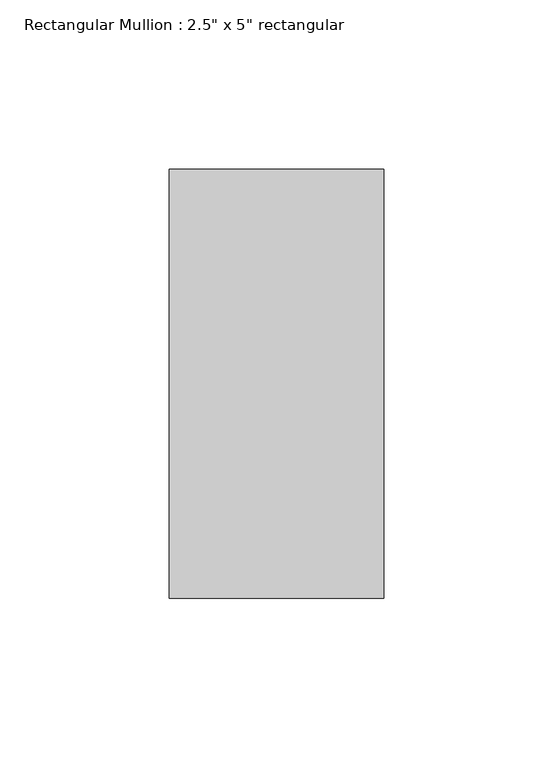
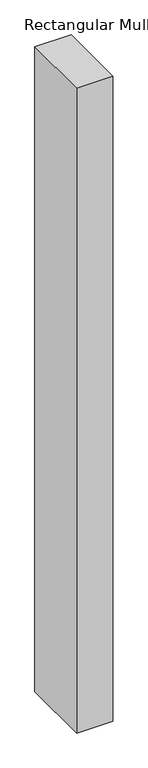
"""IFC4 building model written with IfcOpenShell, lengths in millimetres: member geometry."""

import ifcopenshell
import ifcopenshell.guid

model = None  # the IFC model being written
_history = None  # IfcOwnerHistory: only IFC2X3 demands one
_inside = {}  # id of a spatial element -> (the spatial element, [elements in it])
_under = {}  # id of a project, library or spatial element -> (it, [spatial elements below it])
_declared = {}  # id of a project -> (the project, [libraries it declares])
_typed = {}  # id of a type object -> (the type object, [elements of that type])
_made_of = {}  # id of a material, layer set ... -> (it, [elements and type objects made of it])


def new_model(schema):
    """Start an empty IFC model of exactly this schema.

    Asked for "IFC4X3", IfcOpenShell would pick the latest addendum, in which some entities
    have other attributes; the version numbers below select the first issue.
    IFC2X3 requires an IfcOwnerHistory on every rooted entity: one is made here for all.
    """
    global model, _history
    if schema == "IFC4X3":
        model = ifcopenshell.file(schema_version=(4, 3, 0, 0))
    else:
        model = ifcopenshell.file(schema=schema)
    _inside.clear()
    _under.clear()
    _declared.clear()
    _typed.clear()
    _made_of.clear()
    _history = None
    if model.schema == "IFC2X3":
        org = make("IfcOrganization", Name="unknown")
        user = make(
            "IfcPersonAndOrganization",
            ThePerson=make("IfcPerson", FamilyName="unknown"),
            TheOrganization=org,
        )
        app = make(
            "IfcApplication",
            ApplicationDeveloper=org,
            Version="unknown",
            ApplicationFullName="unknown",
            ApplicationIdentifier="unknown",
        )
        _history = make(
            "IfcOwnerHistory",
            OwningUser=user,
            OwningApplication=app,
            ChangeAction="ADDED",
            CreationDate=0,
        )
    return model


def make(cls, **values):
    """One entity of the class cls with the attributes given. An attribute that is None is left unset."""
    return model.create_entity(
        cls, **{name: value for name, value in values.items() if value is not None}
    )


def rooted(cls, **values):
    """An entity with a GlobalId (a new one), such as an element, a storey or a relation."""
    return make(cls, GlobalId=ifcopenshell.guid.new(), OwnerHistory=_history, **values)


def si_unit(unit_type, name, prefix=None):
    """IfcSIUnit, for example si_unit("LENGTHUNIT", "METRE", prefix="MILLI")."""
    return make("IfcSIUnit", UnitType=unit_type, Prefix=prefix, Name=name)


def assignment(units):
    """IfcUnitAssignment: the units of a project."""
    return None if units is None else make("IfcUnitAssignment", Units=units)


def point(xyz):
    """IfcCartesianPoint."""
    return None if xyz is None else make("IfcCartesianPoint", Coordinates=xyz)


def direction(xyz):
    """IfcDirection."""
    return None if xyz is None else make("IfcDirection", DirectionRatios=xyz)


def frame(location, z_axis=None, x_axis=None):
    """IfcAxis2Placement3D, a coordinate frame: its origin and axes. An axis left out is left unset."""
    return make(
        "IfcAxis2Placement3D",
        Location=point(location),
        Axis=direction(z_axis),
        RefDirection=direction(x_axis),
    )


def origin():
    """The frame at (0, 0, 0) with its axes left unset."""
    return frame((0.0, 0.0, 0.0))


def place(relative_to, where):
    """IfcLocalPlacement: puts the frame where relative to a parent placement (None: the world)."""
    return make(
        "IfcLocalPlacement", PlacementRelTo=relative_to, RelativePlacement=where
    )


def context(
    kind, dimensions, precision=None, world=None, true_north=None, identifier=None
):
    """IfcGeometricRepresentationContext, for example the 3D "Model" context."""
    return make(
        "IfcGeometricRepresentationContext",
        ContextIdentifier=identifier,
        ContextType=kind,
        CoordinateSpaceDimension=dimensions,
        Precision=precision,
        WorldCoordinateSystem=world,
        TrueNorth=true_north,
    )


def project(units=None, contexts=None):
    """IfcProject with its units and contexts."""
    return rooted(
        "IfcProject",
        Name="project",
        RepresentationContexts=contexts,
        UnitsInContext=assignment(units),
    )


def spatial(cls, under=None, at=None, **own):
    """A site, building, storey or space (cls), placed at a placement, below another one or the project."""
    s = rooted(cls, ObjectPlacement=at, **own)
    if under is not None:
        _under.setdefault(under.id(), (under, []))[1].append(s)
    return s


def polyline(points):
    """IfcPolyline through the points."""
    return make("IfcPolyline", Points=[point(p) for p in points])


def outline(outer, holes=None, kind="AREA"):
    """IfcArbitraryClosedProfileDef: a profile drawn as a closed curve; with holes, ...WithVoids."""
    if holes is None:
        return make("IfcArbitraryClosedProfileDef", ProfileType=kind, OuterCurve=outer)
    return make(
        "IfcArbitraryProfileDefWithVoids",
        ProfileType=kind,
        OuterCurve=outer,
        InnerCurves=holes,
    )


def extrude(swept, where, along, depth):
    """IfcExtrudedAreaSolid: the profile swept, set in the frame where, extruded along a direction by depth."""
    return make(
        "IfcExtrudedAreaSolid",
        SweptArea=swept,
        Position=where,
        ExtrudedDirection=direction(along),
        Depth=depth,
    )


def shape(context_of_items, identifier, shape_type, items):
    """IfcShapeRepresentation: the items that make up one representation, for example the "Body"."""
    return make(
        "IfcShapeRepresentation",
        ContextOfItems=context_of_items,
        RepresentationIdentifier=identifier,
        RepresentationType=shape_type,
        Items=items,
    )


def source(mapping_origin, context_of_items, identifier, shape_type, items):
    """IfcRepresentationMap: a shape defined once, which mapped items show again and again."""
    return make(
        "IfcRepresentationMap",
        MappingOrigin=mapping_origin,
        MappedRepresentation=shape(context_of_items, identifier, shape_type, items),
    )


def transform(
    local_origin,
    x_axis=None,
    y_axis=None,
    z_axis=None,
    scale=None,
    scale2=None,
    scale3=None,
    uniform=True,
):
    """IfcCartesianTransformationOperator3D, or its non-uniform kind. x_axis, y_axis, z_axis: its Axis1, 2, 3."""
    if uniform:
        return make(
            "IfcCartesianTransformationOperator3D",
            Axis1=direction(x_axis),
            Axis2=direction(y_axis),
            LocalOrigin=point(local_origin),
            Scale=scale,
            Axis3=direction(z_axis),
        )
    return make(
        "IfcCartesianTransformationOperator3DnonUniform",
        Axis1=direction(x_axis),
        Axis2=direction(y_axis),
        LocalOrigin=point(local_origin),
        Scale=scale,
        Axis3=direction(z_axis),
        Scale2=scale2,
        Scale3=scale3,
    )


def mapped(mapping_source, mapping_target):
    """IfcMappedItem: shows the shape of a source again, moved by a transform."""
    return make(
        "IfcMappedItem", MappingSource=mapping_source, MappingTarget=mapping_target
    )


def made_of(thing, what):
    """Note that an element or type object is made of a material, layer set ...; save() writes the relation."""
    if what is not None:
        _made_of.setdefault(what.id(), (what, []))[1].append(thing)
    return thing


def element(
    cls,
    number,
    at=None,
    inside=None,
    cuts=None,
    type_object=None,
    material=None,
    context=None,
    identifier="Body",
    shape_type=None,
    held_by="IfcProductDefinitionShape",
    body=None,
    shapes=None,
    **own,
):
    """One element of the class cls, such as IfcWall. Its Tag is "e" and its number.

    at: its placement. inside: the storey or other place that contains it. cuts: it is an
    opening in that element (IfcRelVoidsElement). A single representation is given by context,
    identifier, shape_type and body (its items); several are given by shapes. held_by: the class
    of the entity that holds the representations. save() writes the other relations.
    """
    e = rooted(cls, Tag="e%d" % number, ObjectPlacement=at, **own)
    if body is not None:
        shapes = [shape(context, identifier, shape_type, body)]
    if shapes is not None:
        e.Representation = make(held_by, Representations=shapes)
    if inside is not None:
        _inside.setdefault(inside.id(), (inside, []))[1].append(e)
    if cuts is not None:
        rooted(
            "IfcRelVoidsElement", RelatingBuildingElement=cuts, RelatedOpeningElement=e
        )
    if type_object is not None:
        _typed.setdefault(type_object.id(), (type_object, []))[1].append(e)
    return made_of(e, material)


def aggregate(whole, parts):
    """IfcRelAggregates: a whole, such as a stair, and the parts it consists of."""
    return rooted("IfcRelAggregates", RelatingObject=whole, RelatedObjects=parts)


def save(model, path):
    """Write the relations noted so far, then the file.

    IfcRelAggregates (storeys below a building ...), IfcRelContainedInSpatialStructure (elements
    in a storey), IfcRelDefinesByType, IfcRelAssociatesMaterial and IfcRelDeclares: one each for
    every whole, place, type object, material and project.
    """
    for whole, parts in _under.values():
        aggregate(whole, parts)
    for where, things in _inside.values():
        rooted(
            "IfcRelContainedInSpatialStructure",
            RelatedElements=things,
            RelatingStructure=where,
        )
    for kind, things in _typed.values():
        rooted("IfcRelDefinesByType", RelatedObjects=things, RelatingType=kind)
    for what, things in _made_of.values():
        rooted("IfcRelAssociatesMaterial", RelatedObjects=things, RelatingMaterial=what)
    for by, libraries in _declared.values():
        rooted("IfcRelDeclares", RelatingContext=by, RelatedDefinitions=libraries)
    model.write(path)


def member_082eafc0(model_context):
    return source(origin(), model_context, "Body", "SweptSolid", [
        extrude(outline(polyline([(0.0, 63.5), (0.0, -63.5), (-63.5, -63.5), (-63.5, 63.5), (0.0, 63.5)])), frame((0.0, 0.0, -1194.75), z_axis=(0.0, 0.0, 1.0), x_axis=(1.0, 0.0, 0.0)), (0.0, 0.0, 1.0), 1194.75),
    ])


if __name__ == "__main__":
    model = new_model("IFC4")
    model_context = context("Model", 3, world=origin())
    ifc_project = project(units=[si_unit("LENGTHUNIT", "METRE", prefix="MILLI")], contexts=[model_context])
    site = spatial("IfcSite", under=ifc_project)
    building = spatial("IfcBuilding", under=site)
    placement = place(None, origin())
    member_shape = member_082eafc0(model_context)
    element("IfcMember", 1, ObjectType="Rectangular Mullion : 2.5\" x 5\" rectangular", at=placement, inside=building, context=model_context, shape_type="MappedRepresentation", body=[
        mapped(member_shape, transform((0.0, 0.0, 0.0), x_axis=(1.0, 0.0, 0.0), y_axis=(0.0, 1.0, 0.0), z_axis=(0.0, 0.0, 1.0))),
    ])
    save(model, "model.ifc")
